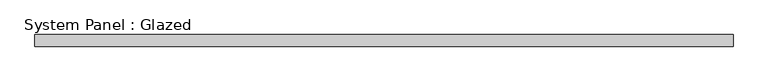
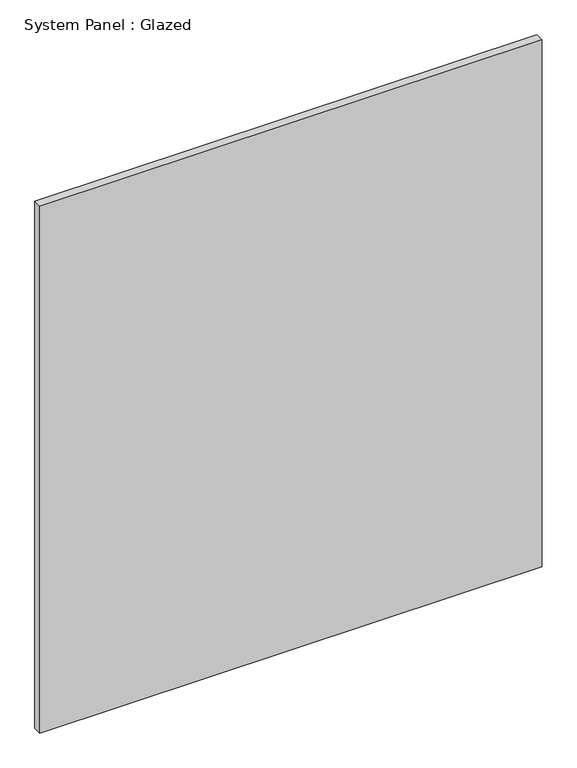
"""IFC4 building model written with IfcOpenShell, lengths in millimetres: plate geometry, System Panel : Glazed."""

from ifc_helpers import new_model, si_unit, origin, origin_with_axes, place, context, project, spatial, polyline, outline, extrude, source, transform, mapped, element, save


def system_panel_glazed_eebf7629(model_context):
    return source(origin(), model_context, "Body", "SweptSolid", [
        extrude(outline(polyline([(733.425, -12.7), (-733.425, -12.7), (-733.425, 12.7), (733.425, 12.7), (733.425, -12.7)])), origin_with_axes(), (0.0, 0.0, 1.0), 1625.6),
    ])


if __name__ == "__main__":
    model = new_model("IFC4")
    model_context = context("Model", 3, world=origin())
    ifc_project = project(units=[si_unit("LENGTHUNIT", "METRE", prefix="MILLI")], contexts=[model_context])
    site = spatial("IfcSite", under=ifc_project)
    building = spatial("IfcBuilding", under=site)
    placement = place(None, origin())
    system_panel_glazed_shape = system_panel_glazed_eebf7629(model_context)
    element("IfcPlate", 1, ObjectType="System Panel : Glazed", at=placement, inside=building, context=model_context, shape_type="MappedRepresentation", body=[
        mapped(system_panel_glazed_shape, transform((0.0, 0.0, 0.0), x_axis=(1.0, 0.0, 0.0), y_axis=(0.0, 1.0, 0.0), z_axis=(0.0, 0.0, 1.0))),
    ])
    save(model, "model.ifc")
